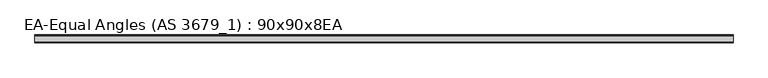
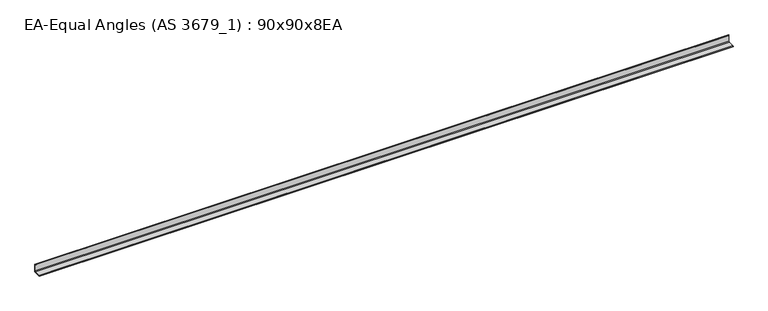
"""IFC4 building model written with IfcOpenShell, lengths in millimetres: beam geometry, EA-Equal Angles (AS 3679_1) : 90x90x8EA."""

from ifc_helpers import new_model, si_unit, point, frame, frame_2d, origin, place, context, project, spatial, polyline, circle_curve, trimmed, segment, composite_curve, outline, extrude, source, transform, mapped, element, save


def ea_equal_angles_as_3679_1_90x90x8ea_873e96fe(model_context):
    return source(origin(), model_context, "Body", "SweptSolid", [
        extrude(outline(composite_curve([segment(polyline([(25.0, -25.0), (-65.0, -25.0), (-65.0, -22.0)]), True, "CONTINUOUS"), segment(trimmed(circle_curve(frame_2d((-60.0, -22.0)), 5.0), [point((-65.0, -22.0))], [point((-60.0, -17.0))], False, "CARTESIAN"), True, "CONTINUOUS"), segment(polyline([(-60.0, -17.0), (9.0, -17.0)]), True, "CONTINUOUS"), segment(trimmed(circle_curve(frame_2d((9.0, -9.0)), 8.0), [point((9.0, -17.0))], [point((17.0, -9.0))], True, "CARTESIAN"), True, "CONTINUOUS"), segment(polyline([(17.0, -9.0), (17.0, 60.0)]), True, "CONTINUOUS"), segment(trimmed(circle_curve(frame_2d((22.0, 60.0)), 5.0), [point((17.0, 60.0))], [point((22.0, 65.0))], False, "CARTESIAN"), True, "CONTINUOUS"), segment(polyline([(22.0, 65.0), (25.0, 65.0), (25.0, -25.0)]), True, "CONTINUOUS")], self_intersect=False)), frame((-3993.35, 0.0, 0.0), z_axis=(1.0, 0.0, 0.0), x_axis=(0.0, 1.0, 0.0)), (0.0, 0.0, 1.0), 7955.6),
    ])


if __name__ == "__main__":
    model = new_model("IFC4")
    model_context = context("Model", 3, world=origin())
    ifc_project = project(units=[si_unit("LENGTHUNIT", "METRE", prefix="MILLI")], contexts=[model_context])
    site = spatial("IfcSite", under=ifc_project)
    building = spatial("IfcBuilding", under=site)
    placement = place(None, origin())
    ea_equal_angles_as_3679_1_90x90x8ea_shape = ea_equal_angles_as_3679_1_90x90x8ea_873e96fe(model_context)
    element("IfcBeam", 1, ObjectType="EA-Equal Angles (AS 3679_1) : 90x90x8EA", at=placement, inside=building, context=model_context, shape_type="MappedRepresentation", body=[
        mapped(ea_equal_angles_as_3679_1_90x90x8ea_shape, transform((0.0, 0.0, 0.0), x_axis=(1.0, 0.0, 0.0), y_axis=(0.0, 1.0, 0.0), z_axis=(0.0, 0.0, 1.0))),
    ])
    save(model, "model.ifc")
